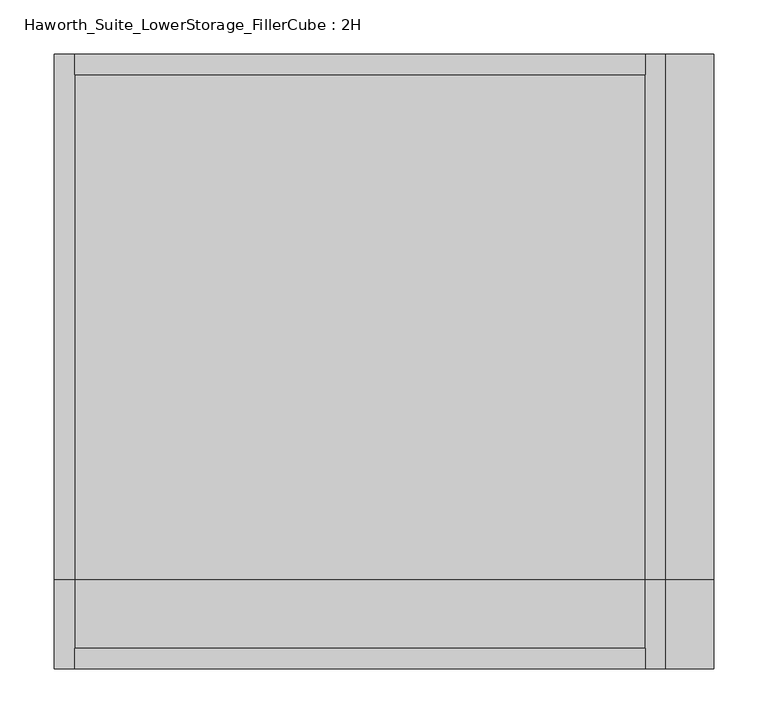
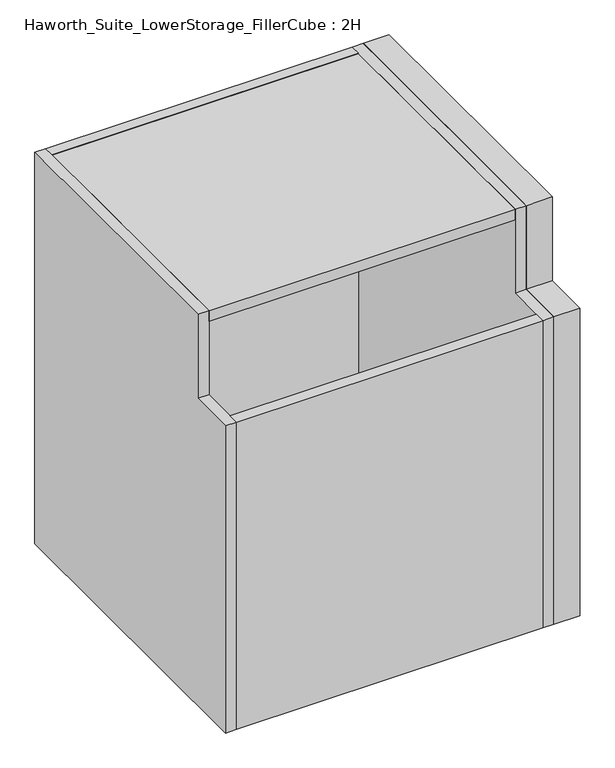
"""IFC4 building model written with IfcOpenShell, lengths in millimetres: furniture geometry, Haworth_Suite_LowerStorage_FillerCube : 2H."""

from ifc_helpers import new_model, si_unit, frame, origin, origin_with_axes, place, context, project, spatial, polyline, outline, extrude, source, transform, mapped, element, save


def haworth_suite_lowerstorage_fillercube_2h_e7148fc7(model_context):
    return source(origin(), model_context, "Body", "SweptSolid", [
        extrude(outline(polyline([(228.6, 50.8), (228.6, 31.75), (-298.45, 31.75), (-298.45, 50.8), (228.6, 50.8)])), origin_with_axes(), (0.0, 0.0, 1.0), 558.8),
        extrude(outline(polyline([(228.6, 581.025), (-298.45, 581.025), (-298.45, 600.075), (228.6, 600.075), (228.6, 581.025)])), origin_with_axes(), (0.0, 0.0, 1.0), 711.2),
        extrude(outline(polyline([(31.75, 0.0), (31.75, 558.8), (114.3, 558.8), (114.3, 711.2), (600.075, 711.2), (600.075, 0.0), (31.75, 0.0)])), frame((247.65, 0.0, 0.0), z_axis=(1.0, 0.0, 0.0), x_axis=(0.0, 1.0, 0.0)), (0.0, 0.0, 1.0), 44.45),
        extrude(outline(polyline([(31.75, 0.0), (31.75, 558.8), (114.3, 558.8), (114.3, 711.2), (600.075, 711.2), (600.075, 0.0), (31.75, 0.0)])), frame((228.6, 0.0, 0.0), z_axis=(1.0, 0.0, 0.0), x_axis=(0.0, 1.0, 0.0)), (0.0, 0.0, 1.0), 19.05),
        extrude(outline(polyline([(31.75, 0.0), (31.75, 558.8), (114.3, 558.8), (114.3, 711.2), (600.075, 711.2), (600.075, 0.0), (31.75, 0.0)])), frame((-317.5, 0.0, 0.0), z_axis=(1.0, 0.0, 0.0), x_axis=(0.0, 1.0, 0.0)), (0.0, 0.0, 1.0), 19.05),
        extrude(outline(polyline([(228.6, 114.3), (-298.45, 114.3), (-298.45, 581.025), (228.6, 581.025), (228.6, 114.3)])), frame((0.0, 0.0, 692.15), z_axis=(0.0, 0.0, 1.0), x_axis=(1.0, 0.0, 0.0)), (0.0, 0.0, 1.0), 19.05),
        extrude(outline(polyline([(228.6, 31.75), (-298.45, 31.75), (-298.45, 581.025), (228.6, 581.025), (228.6, 31.75)])), origin_with_axes(), (0.0, 0.0, 1.0), 38.1),
    ])


if __name__ == "__main__":
    model = new_model("IFC4")
    model_context = context("Model", 3, world=origin())
    ifc_project = project(units=[si_unit("LENGTHUNIT", "METRE", prefix="MILLI")], contexts=[model_context])
    site = spatial("IfcSite", under=ifc_project)
    building = spatial("IfcBuilding", under=site)
    placement = place(None, origin())
    haworth_suite_lowerstorage_fillercube_2h_shape = haworth_suite_lowerstorage_fillercube_2h_e7148fc7(model_context)
    element("IfcFurniture", 1, ObjectType="Haworth_Suite_LowerStorage_FillerCube : 2H", at=placement, inside=building, context=model_context, shape_type="MappedRepresentation", body=[
        mapped(haworth_suite_lowerstorage_fillercube_2h_shape, transform((0.0, 0.0, 0.0), x_axis=(1.0, 0.0, 0.0), y_axis=(0.0, 1.0, 0.0), z_axis=(0.0, 0.0, 1.0))),
    ])
    save(model, "model.ifc")
